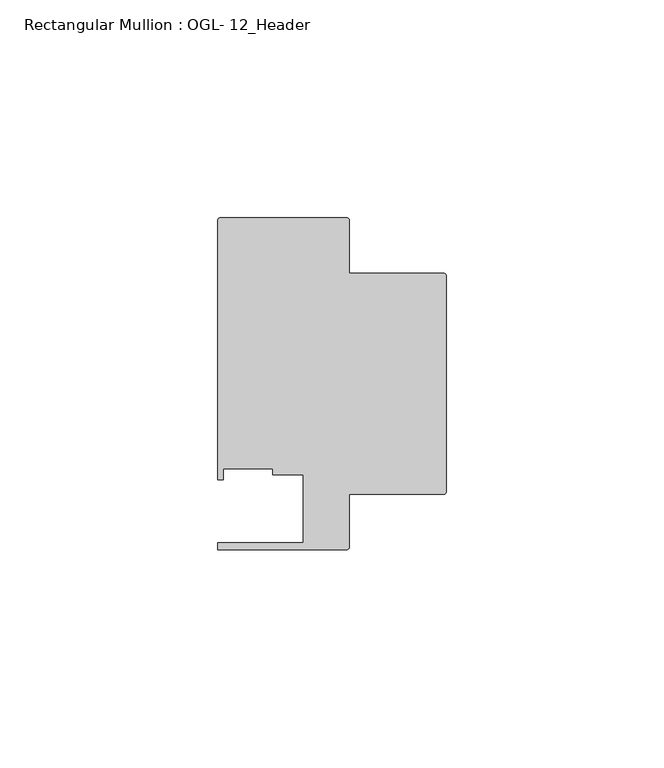
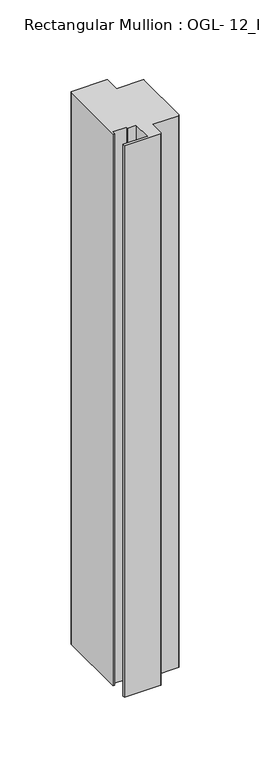
"""IFC4 building model written with IfcOpenShell, lengths in millimetres: member geometry, Rectangular Mullion : OGL- 12_Header."""

from ifc_helpers import new_model, si_unit, point, frame, frame_2d, origin, place, context, project, spatial, polyline, circle_curve, trimmed, segment, composite_curve, outline, extrude, source, transform, mapped, element, save


def rectangular_mullion_ogl_12_header_283a0ebc(model_context):
    return source(origin(), model_context, "Body", "SweptSolid", [
        extrude(outline(composite_curve([segment(trimmed(circle_curve(frame_2d((-0.5953125, 24.8046875)), 0.5953125), [point((-0.5953125, 25.4))], [point((0.0, 24.8046875))], False, "CARTESIAN"), True, "CONTINUOUS"), segment(polyline([(0.0, 24.8046875), (0.0, -24.8046875)]), True, "CONTINUOUS"), segment(trimmed(circle_curve(frame_2d((-0.5953125, -24.8046875)), 0.5953125), [point((0.0, -24.8046875))], [point((-0.5953125, -25.4))], False, "CARTESIAN"), True, "CONTINUOUS"), segment(polyline([(-0.5953125, -25.4), (-22.2332898, -25.4), (-22.2332898, -37.456959)]), True, "CONTINUOUS"), segment(trimmed(circle_curve(frame_2d((-22.8763468, -37.456959)), 0.643057), [point((-22.2332898, -37.456959))], [point((-22.8763468, -38.100016))], False, "CARTESIAN"), True, "CONTINUOUS"), segment(polyline([(-22.8763468, -38.100016), (-52.3830881, -38.100016), (-52.3830881, -36.512516), (-32.730302, -36.512516), (-32.730302, -20.8257348), (-39.7567771, -20.8257348), (-39.7567771, -19.4824275), (-51.1362531, -19.4824275), (-51.1362531, -21.9710976), (-52.3921824, -21.9710976), (-52.3921824, 37.5043667)]), True, "CONTINUOUS"), segment(trimmed(circle_curve(frame_2d((-51.7968699, 37.5043667)), 0.5953125), [point((-52.3921824, 37.5043667))], [point((-51.7968699, 38.0996792))], False, "CARTESIAN"), True, "CONTINUOUS"), segment(polyline([(-51.7968699, 38.0996792), (-22.8286023, 38.0996792)]), True, "CONTINUOUS"), segment(trimmed(circle_curve(frame_2d((-22.8286023, 37.5043667)), 0.5953125), [point((-22.8286023, 38.0996792))], [point((-22.2332898, 37.5043667))], False, "CARTESIAN"), True, "CONTINUOUS"), segment(polyline([(-22.2332898, 37.5043667), (-22.2332898, 25.4), (-0.5953125, 25.4)]), True, "CONTINUOUS")], self_intersect=False)), frame((0.0, 0.0, -476.25), z_axis=(0.0, 0.0, 1.0), x_axis=(1.0, 0.0, 0.0)), (0.0, 0.0, 1.0), 476.25),
    ])


if __name__ == "__main__":
    model = new_model("IFC4")
    model_context = context("Model", 3, world=origin())
    ifc_project = project(units=[si_unit("LENGTHUNIT", "METRE", prefix="MILLI")], contexts=[model_context])
    site = spatial("IfcSite", under=ifc_project)
    building = spatial("IfcBuilding", under=site)
    placement = place(None, origin())
    rectangular_mullion_ogl_12_header_shape = rectangular_mullion_ogl_12_header_283a0ebc(model_context)
    element("IfcMember", 1, ObjectType="Rectangular Mullion : OGL- 12_Header", at=placement, inside=building, context=model_context, shape_type="MappedRepresentation", body=[
        mapped(rectangular_mullion_ogl_12_header_shape, transform((0.0, 0.0, 0.0), x_axis=(1.0, 0.0, 0.0), y_axis=(0.0, 1.0, 0.0), z_axis=(0.0, 0.0, 1.0))),
    ])
    save(model, "model.ifc")
